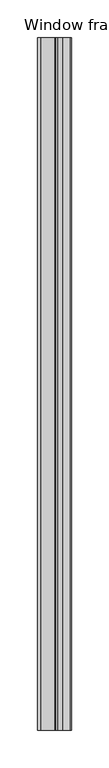
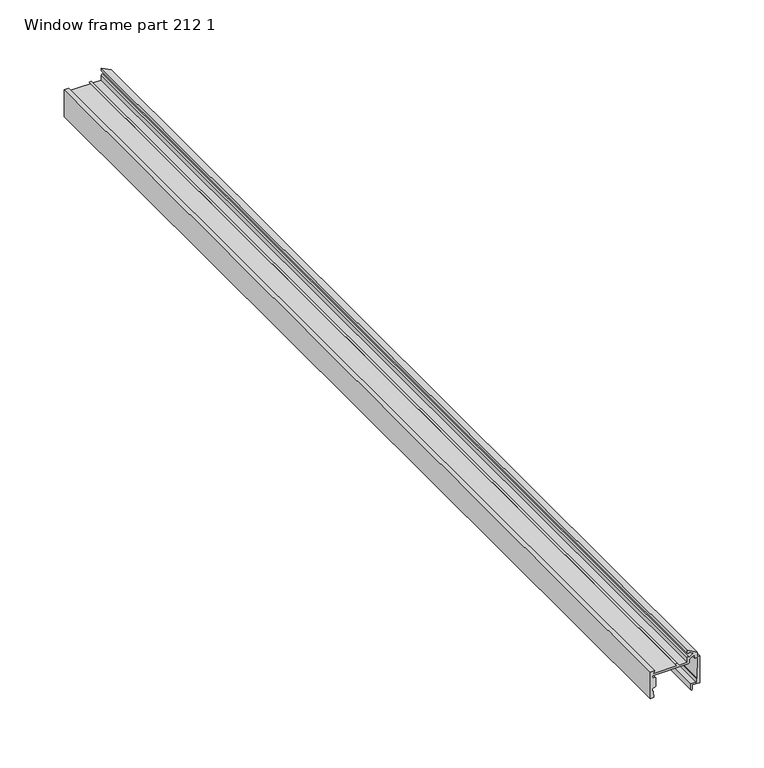
"""IFC4 building model written with IfcOpenShell, lengths in millimetres: proxy geometry, Window frame part 212 1."""

from ifc_helpers import new_model, si_unit, frame, origin, place, context, project, spatial, polyline, outline, extrude, source, transform, mapped, element, save


def window_frame_part_212_1_a55d3c3f(model_context):
    return source(origin(), model_context, "Body", "SweptSolid", [
        extrude(outline(polyline([(2015.5748578, 37052.0843122), (2017.9624578, 37050.4124967), (2017.5627693, 37048.6768629), (2015.5748578, 37050.0688133), (2015.5748578, 37028.9370398), (2017.9624578, 37030.1209259), (2017.9624578, 37026.0114553), (1992.5624578, 37026.0114553), (1992.8164578, 37029.1864553), (1998.9124578, 37028.9324553), (1999.1664578, 37027.6624553), (2001.2937078, 37027.6624553), (2002.0874578, 37028.4562053), (2002.0874578, 37030.0437053), (2002.8812078, 37030.8374553), (2010.8187078, 37030.8374553), (2011.6124578, 37030.0437053), (2011.6124578, 37028.4562053), (2013.1618578, 37027.6624553), (2013.9238578, 37028.4244553), (2013.9238578, 37060.2252553), (2014.6858578, 37060.9872553), (2018.1455221, 37060.9872553), (2020.5505324, 37065.1528553), (2019.8906211, 37066.2958553), (2017.0480578, 37066.2958553), (2017.0480578, 37068.8104553), (1997.3249578, 37068.5564553), (1997.0709578, 37067.2864553), (1994.1499578, 37067.2864553), (1994.1499578, 37062.5239566), (1988.5937078, 37062.5239566), (1987.7999578, 37063.3177066), (1988.5937078, 37064.1114566), (1992.5624578, 37064.1114566), (1992.5624578, 37070.4614553), (2017.9624578, 37070.4614553), (2017.9624578, 37068.5564553), (2022.1641728, 37068.5564553), (2027.0475169, 37059.3362553), (2024.3718872, 37059.3362553), (2023.749717, 37060.6062553), (2024.8478124, 37060.6062553), (2022.3398874, 37064.9501089), (2019.8319623, 37060.6062553), (2021.1789259, 37060.4030553), (2020.3078872, 37059.3362553), (2015.5748578, 37059.3362553), (2015.5748578, 37052.0843122)])), frame((0.0, -25196.3529946, 0.0), z_axis=(0.0, 1.0, 0.0), x_axis=(0.0, 0.0, 1.0)), (0.0, 0.0, 1.0), 914.4),
    ])


if __name__ == "__main__":
    model = new_model("IFC4")
    model_context = context("Model", 3, world=origin())
    ifc_project = project(units=[si_unit("LENGTHUNIT", "METRE", prefix="MILLI")], contexts=[model_context])
    site = spatial("IfcSite", under=ifc_project)
    building = spatial("IfcBuilding", under=site)
    placement = place(None, origin())
    window_frame_part_212_1_shape = window_frame_part_212_1_a55d3c3f(model_context)
    element("IfcBuildingElementProxy", 1, Name="Window frame part 212 1", ObjectType="Window frame part 212 1", at=placement, inside=building, context=model_context, shape_type="MappedRepresentation", body=[
        mapped(window_frame_part_212_1_shape, transform((0.0, 0.0, 0.0), x_axis=(1.0, 0.0, 0.0), y_axis=(0.0, 1.0, 0.0), z_axis=(0.0, 0.0, 1.0))),
    ])
    save(model, "model.ifc")
